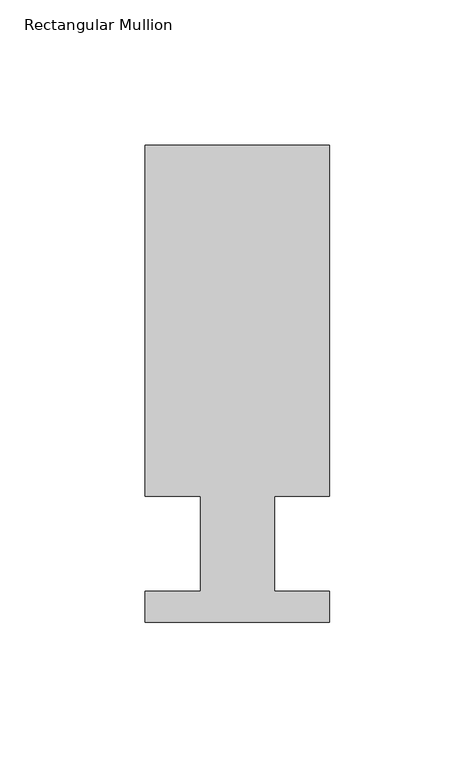
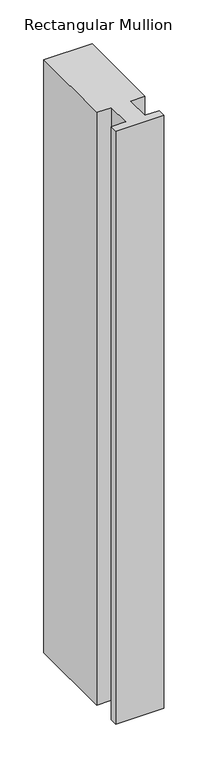
"""IFC4 building model written with IfcOpenShell, lengths in millimetres: member geometry, Rectangular Mullion."""

from ifc_helpers import new_model, si_unit, frame, origin, place, context, project, spatial, polyline, outline, extrude, source, transform, mapped, element, save


def rectangular_mullion_b6adc1b5(model_context):
    return source(origin(), model_context, "Body", "SweptSolid", [
        extrude(outline(polyline([(31.75, 152.4), (31.75, 31.75), (12.7, 31.75), (12.7, -1.016), (31.75, -1.016), (31.75, -11.684), (-31.75, -11.684), (-31.75, -1.016), (-12.7, -1.016), (-12.7, 31.75), (-31.75, 31.75), (-31.75, 152.4), (31.75, 152.4)])), frame((0.0, 0.0, -825.4868072), z_axis=(0.0, 0.0, 1.0), x_axis=(1.0, 0.0, 0.0)), (0.0, 0.0, 1.0), 825.4868072),
    ])


if __name__ == "__main__":
    model = new_model("IFC4")
    model_context = context("Model", 3, world=origin())
    ifc_project = project(units=[si_unit("LENGTHUNIT", "METRE", prefix="MILLI")], contexts=[model_context])
    site = spatial("IfcSite", under=ifc_project)
    building = spatial("IfcBuilding", under=site)
    placement = place(None, origin())
    rectangular_mullion_shape = rectangular_mullion_b6adc1b5(model_context)
    element("IfcMember", 1, ObjectType="Rectangular Mullion", at=placement, inside=building, context=model_context, shape_type="MappedRepresentation", body=[
        mapped(rectangular_mullion_shape, transform((0.0, 0.0, 0.0), x_axis=(1.0, 0.0, 0.0), y_axis=(0.0, 1.0, 0.0), z_axis=(0.0, 0.0, 1.0))),
    ])
    save(model, "model.ifc")
